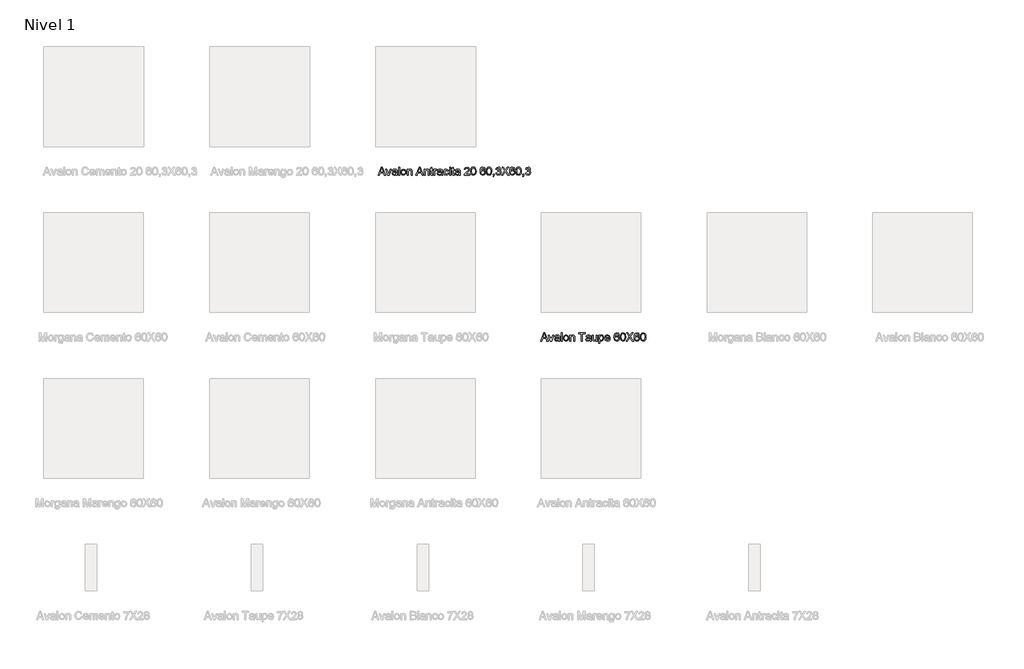
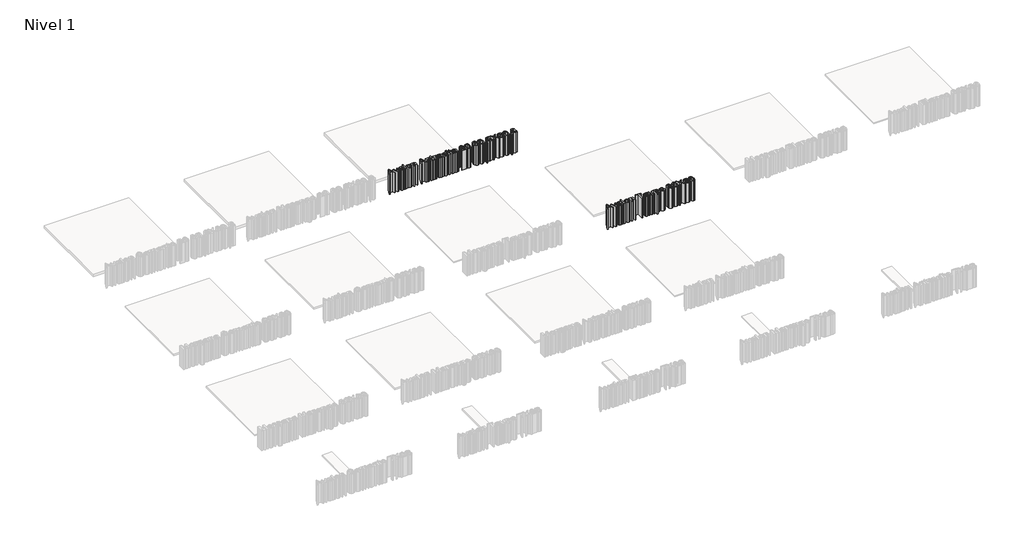
# One storey, part 10 of 11: 2 proxies.
"""IFC4 building model written with IfcOpenShell, lengths in millimetres."""

from ifc_helpers import new_model, si_unit, origin, origin_with_axes, place, context, project, spatial, polyline, outline, extrude, element, save

model = new_model("IFC4")

# Units and contexts
model_context = context("Model", 3, world=origin())
ifc_project = project(units=[si_unit("LENGTHUNIT", "METRE", prefix="MILLI")], contexts=[model_context])

# Site, building, storey
site = spatial("IfcSite", under=ifc_project)
building = spatial("IfcBuilding", under=site)
storey = spatial("IfcBuildingStorey", under=building, Name="Nivel 1", Elevation=0.0)

# Proxies
placement = place(None, origin())
element("IfcBuildingElementProxy", 1, Name="Texto de modelo 1", ObjectType="Texto de modelo 1", at=placement, inside=storey, context=model_context, shape_type="SweptSolid", body=[
    extrude(outline(polyline([(2015.8341766, -172.9229512), (2035.4856189, -123.692182), (2040.7260035, -123.692182), (2060.3774458, -172.9229512), (2053.875042, -172.9229512), (2048.2380227, -157.5383359), (2027.9615804, -157.5383359), (2022.3365804, -172.9229512), (2015.8341766, -172.9229512)]), holes=[polyline([(2030.2211958, -151.3844897), (2045.9904266, -151.3844897), (2041.5553304, -139.2811243), (2038.1058112, -129.8460282), (2035.0409073, -138.223432), (2030.2211958, -151.3844897)])]), origin_with_axes(), (0.0, 0.0, 1.0), 150.0),
    extrude(outline(polyline([(2075.0529266, -172.9229512), (2062.3365804, -136.7691051), (2068.8510035, -136.7691051), (2076.5553304, -158.4277589), (2078.875042, -165.7114128), (2081.1466766, -158.8364128), (2088.8990804, -136.7691051), (2095.4135035, -136.7691051), (2082.8534073, -172.9229512), (2075.0529266, -172.9229512)])), origin_with_axes(), (0.0, 0.0, 1.0), 150.0),
    extrude(outline(polyline([(2123.875042, -168.3075666), (2117.9074939, -172.4782397), (2111.3149458, -173.692182), (2102.3786477, -170.7715089), (2099.2596573, -163.3075666), (2100.437542, -158.4397782), (2103.5324939, -154.9061243), (2107.8413881, -152.8868936), (2113.1659073, -151.9614128), (2123.8389843, -149.8460282), (2122.1803304, -143.9325666), (2115.3774458, -142.1537205), (2109.1514843, -143.3376147), (2106.1827343, -147.5383359), (2100.0288881, -146.7691051), (2102.6911477, -140.7594897), (2108.0517246, -137.2378551), (2116.170715, -135.9998743), (2123.6286477, -137.0936243), (2127.8413881, -139.8400186), (2129.7284073, -144.0167012), (2130.0288881, -149.4013166), (2130.0288881, -157.0575666), (2130.3413881, -167.7486724), (2131.5673496, -172.9229512), (2125.4135035, -172.9229512), (2123.875042, -168.3075666)]), holes=[polyline([(2123.875042, -155.9998743), (2113.9471573, -157.8868936), (2108.6526862, -158.8844897), (2106.2548496, -160.5070859), (2105.4135035, -162.8748743), (2107.2464362, -166.2042012), (2112.625042, -167.5383359), (2118.8510035, -166.0659801), (2122.8654266, -162.5022782), (2123.8389843, -157.7426628), (2123.875042, -155.9998743)])]), origin_with_axes(), (0.0, 0.0, 1.0), 150.0),
    extrude(outline(polyline([(2138.4904266, -172.9229512), (2138.4904266, -123.692182), (2144.6442727, -123.692182), (2144.6442727, -172.9229512), (2138.4904266, -172.9229512)])), origin_with_axes(), (0.0, 0.0, 1.0), 150.0),
    extrude(outline(polyline([(2152.3365804, -154.8460282), (2153.6677102, -146.1290811), (2157.6610996, -140.0022782), (2168.5024458, -135.9998743), (2180.1310516, -140.8736724), (2184.6442727, -154.3412205), (2182.6490804, -165.2907397), (2176.8377823, -171.4866532), (2168.5024458, -173.692182), (2156.8017246, -168.8364128), (2152.3365804, -154.8460282)]), holes=[polyline([(2158.4904266, -154.8340089), (2161.3389843, -164.3712686), (2168.5024458, -167.5383359), (2175.6418689, -164.3532397), (2178.4904266, -154.6417012), (2175.62384, -145.3207878), (2168.5024458, -142.1537205), (2161.3389843, -145.3087686), (2158.4904266, -154.8340089)])]), origin_with_axes(), (0.0, 0.0, 1.0), 150.0),
    extrude(outline(polyline([(2191.5673496, -172.9229512), (2191.5673496, -136.7691051), (2197.7211958, -136.7691051), (2197.7211958, -141.817182), (2202.4267246, -137.4542012), (2208.8510035, -135.9998743), (2214.6623016, -137.1717493), (2218.6286477, -140.2486724), (2220.4735996, -144.7739128), (2220.7981189, -150.723432), (2220.7981189, -172.9229512), (2214.6442727, -172.9229512), (2214.6442727, -151.5527589), (2213.9351381, -146.1080474), (2211.4291285, -143.2294416), (2207.2043689, -142.1537205), (2200.5276862, -144.5695859), (2197.7211958, -153.7402589), (2197.7211958, -172.9229512), (2191.5673496, -172.9229512)])), origin_with_axes(), (0.0, 0.0, 1.0), 150.0),
    extrude(outline(polyline([(2243.5264843, -172.9229512), (2263.1779266, -123.692182), (2268.4183112, -123.692182), (2288.0697535, -172.9229512), (2281.5673496, -172.9229512), (2275.9303304, -157.5383359), (2255.6538881, -157.5383359), (2250.0288881, -172.9229512), (2243.5264843, -172.9229512)]), holes=[polyline([(2257.9135035, -151.3844897), (2273.6827343, -151.3844897), (2269.2476381, -139.2811243), (2265.7981189, -129.8460282), (2262.733215, -138.223432), (2257.9135035, -151.3844897)])]), origin_with_axes(), (0.0, 0.0, 1.0), 150.0),
    extrude(outline(polyline([(2293.875042, -172.9229512), (2293.875042, -136.7691051), (2300.0288881, -136.7691051), (2300.0288881, -141.817182), (2304.734417, -137.4542012), (2311.1586958, -135.9998743), (2316.9699939, -137.1717493), (2320.93634, -140.2486724), (2322.781292, -144.7739128), (2323.1058112, -150.723432), (2323.1058112, -172.9229512), (2316.951965, -172.9229512), (2316.951965, -151.5527589), (2316.2428304, -146.1080474), (2313.7368208, -143.2294416), (2309.5120612, -142.1537205), (2302.8353785, -144.5695859), (2300.0288881, -153.7402589), (2300.0288881, -172.9229512), (2293.875042, -172.9229512)])), origin_with_axes(), (0.0, 0.0, 1.0), 150.0),
    extrude(outline(polyline([(2344.6442727, -167.7907397), (2345.4135035, -173.1032397), (2340.8101381, -173.692182), (2335.6538881, -172.6705474), (2333.0817727, -169.9902589), (2332.3365804, -163.0070859), (2332.3365804, -142.9229512), (2327.7211958, -142.9229512), (2327.7211958, -136.7691051), (2332.3365804, -136.7691051), (2332.3365804, -127.9830474), (2338.4904266, -124.3652589), (2338.4904266, -136.7691051), (2344.6442727, -136.7691051), (2344.6442727, -142.9229512), (2338.4904266, -142.9229512), (2338.4904266, -162.8267974), (2338.8149458, -165.9998743), (2341.9639843, -167.5383359), (2344.6442727, -167.7907397)])), origin_with_axes(), (0.0, 0.0, 1.0), 150.0),
    extrude(outline(polyline([(2350.7981189, -172.9229512), (2350.7981189, -136.7691051), (2356.1827343, -136.7691051), (2356.1827343, -142.1176628), (2360.0048496, -137.1897782), (2363.8510035, -135.9998743), (2370.0288881, -137.8989128), (2367.9735996, -143.4157397), (2363.6466766, -142.1537205), (2360.1671093, -143.3676628), (2357.9495612, -146.7330474), (2356.951965, -153.9205474), (2356.951965, -172.9229512), (2350.7981189, -172.9229512)])), origin_with_axes(), (0.0, 0.0, 1.0), 150.0),
    extrude(outline(polyline([(2396.951965, -168.3075666), (2390.984417, -172.4782397), (2384.3918689, -173.692182), (2375.4555708, -170.7715089), (2372.3365804, -163.3075666), (2373.514465, -158.4397782), (2376.609417, -154.9061243), (2380.9183112, -152.8868936), (2386.2428304, -151.9614128), (2396.9159073, -149.8460282), (2395.2572535, -143.9325666), (2388.4543689, -142.1537205), (2382.2284073, -143.3376147), (2379.2596573, -147.5383359), (2373.1058112, -146.7691051), (2375.7680708, -140.7594897), (2381.1286477, -137.2378551), (2389.2476381, -135.9998743), (2396.7055708, -137.0936243), (2400.9183112, -139.8400186), (2402.8053304, -144.0167012), (2403.1058112, -149.4013166), (2403.1058112, -157.0575666), (2403.4183112, -167.7486724), (2404.6442727, -172.9229512), (2398.4904266, -172.9229512), (2396.951965, -168.3075666)]), holes=[polyline([(2396.951965, -155.9998743), (2387.0240804, -157.8868936), (2381.7296093, -158.8844897), (2379.3317727, -160.5070859), (2378.4904266, -162.8748743), (2380.3233593, -166.2042012), (2385.701965, -167.5383359), (2391.9279266, -166.0659801), (2395.9423496, -162.5022782), (2396.9159073, -157.7426628), (2396.951965, -155.9998743)])]), origin_with_axes(), (0.0, 0.0, 1.0), 150.0),
    extrude(outline(polyline([(2434.6442727, -159.8460282), (2440.7981189, -160.6152589), (2435.858215, -170.2246339), (2426.0985996, -173.692182), (2414.4339362, -168.8544416), (2410.0288881, -154.9782397), (2411.9098977, -144.7558839), (2417.6430708, -138.1873743), (2426.014465, -135.9998743), (2435.3714362, -139.004682), (2440.0288881, -147.5383359), (2433.875042, -148.3075666), (2431.0204746, -143.6981916), (2426.062542, -142.1537205), (2418.9291285, -145.1945859), (2416.1827343, -154.8099705), (2418.8690323, -164.5154993), (2425.8942727, -167.5383359), (2431.6935516, -165.6513166), (2434.6442727, -159.8460282)])), origin_with_axes(), (0.0, 0.0, 1.0), 150.0),
    extrude(outline(polyline([(2446.1827343, -172.9229512), (2446.1827343, -136.7691051), (2452.3365804, -136.7691051), (2452.3365804, -172.9229512), (2446.1827343, -172.9229512)])), origin_with_axes(), (0.0, 0.0, 1.0), 150.0),
    extrude(outline(polyline([(2446.1827343, -129.8460282), (2446.1827343, -123.692182), (2452.3365804, -123.692182), (2452.3365804, -129.8460282), (2446.1827343, -129.8460282)])), origin_with_axes(), (0.0, 0.0, 1.0), 150.0),
    extrude(outline(polyline([(2474.6442727, -167.7907397), (2475.4135035, -173.1032397), (2470.8101381, -173.692182), (2465.6538881, -172.6705474), (2463.0817727, -169.9902589), (2462.3365804, -163.0070859), (2462.3365804, -142.9229512), (2457.7211958, -142.9229512), (2457.7211958, -136.7691051), (2462.3365804, -136.7691051), (2462.3365804, -127.9830474), (2468.4904266, -124.3652589), (2468.4904266, -136.7691051), (2474.6442727, -136.7691051), (2474.6442727, -142.9229512), (2468.4904266, -142.9229512), (2468.4904266, -162.8267974), (2468.8149458, -165.9998743), (2471.9639843, -167.5383359), (2474.6442727, -167.7907397)])), origin_with_axes(), (0.0, 0.0, 1.0), 150.0),
    extrude(outline(polyline([(2503.875042, -168.3075666), (2497.9074939, -172.4782397), (2491.3149458, -173.692182), (2482.3786477, -170.7715089), (2479.2596573, -163.3075666), (2480.437542, -158.4397782), (2483.5324939, -154.9061243), (2487.8413881, -152.8868936), (2493.1659073, -151.9614128), (2503.8389843, -149.8460282), (2502.1803304, -143.9325666), (2495.3774458, -142.1537205), (2489.1514843, -143.3376147), (2486.1827343, -147.5383359), (2480.0288881, -146.7691051), (2482.6911477, -140.7594897), (2488.0517246, -137.2378551), (2496.170715, -135.9998743), (2503.6286477, -137.0936243), (2507.8413881, -139.8400186), (2509.7284073, -144.0167012), (2510.0288881, -149.4013166), (2510.0288881, -157.0575666), (2510.3413881, -167.7486724), (2511.5673496, -172.9229512), (2505.4135035, -172.9229512), (2503.875042, -168.3075666)]), holes=[polyline([(2503.875042, -155.9998743), (2493.9471573, -157.8868936), (2488.6526862, -158.8844897), (2486.2548496, -160.5070859), (2485.4135035, -162.8748743), (2487.2464362, -166.2042012), (2492.625042, -167.5383359), (2498.8510035, -166.0659801), (2502.8654266, -162.5022782), (2503.8389843, -157.7426628), (2503.875042, -155.9998743)])]), origin_with_axes(), (0.0, 0.0, 1.0), 150.0),
    extrude(outline(polyline([(2567.7211958, -166.7691051), (2567.7211958, -172.9229512), (2535.4135035, -172.9229512), (2536.0745612, -168.6801628), (2539.812542, -162.1477109), (2547.5168689, -155.0142974), (2558.1418689, -144.7618936), (2560.7981189, -137.7907397), (2558.2921093, -132.1477109), (2551.7476381, -129.8460282), (2544.9267246, -132.0936243), (2542.3365804, -138.3075666), (2536.1827343, -137.5383359), (2540.9002823, -127.2378551), (2551.8798496, -123.692182), (2562.8954746, -127.6344897), (2566.951965, -137.4181436), (2565.858215, -143.2534801), (2562.2223977, -149.2871339), (2553.406292, -157.7186243), (2546.326965, -163.6380955), (2543.5505227, -166.7691051), (2567.7211958, -166.7691051)])), origin_with_axes(), (0.0, 0.0, 1.0), 150.0),
    extrude(outline(polyline([(2573.875042, -148.7042012), (2575.6839362, -134.5395378), (2581.0565323, -126.3724705), (2590.0288881, -123.692182), (2597.2163881, -125.2787205), (2602.1803304, -129.8520378), (2605.0649458, -137.1356916), (2606.1827343, -148.7042012), (2604.3918689, -162.8087686), (2599.0373016, -170.9938647), (2590.0288881, -173.692182), (2578.7788881, -169.004682), (2575.1010035, -160.6783599), (2573.875042, -148.7042012)]), holes=[polyline([(2580.0288881, -148.692182), (2582.9135035, -163.9746339), (2590.0288881, -167.5383359), (2597.1442727, -163.9626147), (2600.0288881, -148.692182), (2597.2404266, -133.5840089), (2589.9567727, -129.8460282), (2583.0096573, -133.1392974), (2580.0288881, -148.692182)])]), origin_with_axes(), (0.0, 0.0, 1.0), 150.0),
    extrude(outline(polyline([(2662.3365804, -136.7691051), (2656.1827343, -137.5383359), (2653.8510035, -132.4061243), (2647.6851381, -129.8460282), (2642.1322535, -131.3364128), (2637.9315323, -136.9313647), (2636.1827343, -147.8989128), (2641.609417, -142.989057), (2648.3341766, -141.3844897), (2658.7909073, -145.7715089), (2663.1058112, -157.1056436), (2661.0745612, -165.5972301), (2655.4856189, -171.6068455), (2647.420715, -173.692182), (2634.8786477, -168.1633359), (2631.241328, -160.8436243), (2630.0288881, -149.942182), (2631.375042, -137.6855714), (2635.4135035, -129.3051628), (2640.9273256, -125.0954272), (2648.0697535, -123.692182), (2657.7933112, -127.1657397), (2662.3365804, -136.7691051)]), holes=[polyline([(2636.1827343, -157.0094897), (2637.6070131, -162.3400186), (2641.3930708, -166.2102109), (2646.9399458, -167.5383359), (2654.1935516, -164.785932), (2656.951965, -157.3099705), (2654.2296093, -150.1525186), (2646.687542, -147.5383359), (2639.2416285, -150.1525186), (2636.1827343, -157.0094897)])]), origin_with_axes(), (0.0, 0.0, 1.0), 150.0),
    extrude(outline(polyline([(2668.4904266, -148.7042012), (2670.2993208, -134.5395378), (2675.671917, -126.3724705), (2684.6442727, -123.692182), (2691.8317727, -125.2787205), (2696.795715, -129.8520378), (2699.6803304, -137.1356916), (2700.7981189, -148.7042012), (2699.0072535, -162.8087686), (2693.6526862, -170.9938647), (2684.6442727, -173.692182), (2673.3942727, -169.004682), (2669.7163881, -160.6783599), (2668.4904266, -148.7042012)]), holes=[polyline([(2674.6442727, -148.692182), (2677.5288881, -163.9746339), (2684.6442727, -167.5383359), (2691.7596573, -163.9626147), (2694.6442727, -148.692182), (2691.8558112, -133.5840089), (2684.5721573, -129.8460282), (2677.625042, -133.1392974), (2674.6442727, -148.692182)])]), origin_with_axes(), (0.0, 0.0, 1.0), 150.0),
    extrude(outline(polyline([(2709.2596573, -172.9229512), (2709.2596573, -166.7691051), (2715.4135035, -166.7691051), (2715.4135035, -172.9229512), (2714.3077343, -179.2150186), (2710.7981189, -182.9229512), (2709.2596573, -180.6152589), (2711.5192727, -177.9590089), (2712.3245612, -172.9229512), (2709.2596573, -172.9229512)])), origin_with_axes(), (0.0, 0.0, 1.0), 150.0),
    extrude(outline(polyline([(2725.4135035, -159.8460282), (2731.5673496, -159.0767974), (2734.9627823, -165.5551628), (2741.3149458, -167.5383359), (2748.7909073, -164.8099705), (2751.5673496, -158.0551628), (2748.8149458, -151.6909801), (2741.8197535, -149.1729512), (2737.5048496, -149.8460282), (2738.1899458, -143.692182), (2746.1586958, -141.9974705), (2749.2596573, -136.5647782), (2747.0120612, -131.7510762), (2741.218792, -129.8460282), (2735.3534073, -131.7691051), (2732.3365804, -137.5383359), (2726.1827343, -136.7691051), (2731.218792, -127.1176628), (2741.0024458, -123.692182), (2748.4243208, -125.3808839), (2753.6166285, -129.9962686), (2755.4135035, -136.2042012), (2753.7067727, -141.8772782), (2748.6586958, -145.9517974), (2755.3654266, -150.1585282), (2757.7211958, -158.1633359), (2753.0096573, -169.1729512), (2741.0985996, -173.692182), (2730.3053304, -169.8340089), (2725.4135035, -159.8460282)])), origin_with_axes(), (0.0, 0.0, 1.0), 150.0),
    extrude(outline(polyline([(2760.0288881, -172.9229512), (2779.0072535, -146.0960282), (2763.1058112, -123.692182), (2770.4856189, -123.692182), (2779.4399458, -136.3003551), (2782.4567727, -141.2162205), (2785.9904266, -136.2162205), (2794.8485996, -123.692182), (2802.3365804, -123.692182), (2786.4351381, -146.1681436), (2805.4135035, -172.9229512), (2798.0336958, -172.9229512), (2785.389465, -155.0864128), (2782.7572535, -151.3844897), (2779.8606189, -155.4469897), (2767.5168689, -172.9229512), (2760.0288881, -172.9229512)])), origin_with_axes(), (0.0, 0.0, 1.0), 150.0),
    extrude(outline(polyline([(2840.7981189, -136.7691051), (2834.6442727, -137.5383359), (2832.312542, -132.4061243), (2826.1466766, -129.8460282), (2820.593792, -131.3364128), (2816.3930708, -136.9313647), (2814.6442727, -147.8989128), (2820.0709554, -142.989057), (2826.795715, -141.3844897), (2837.2524458, -145.7715089), (2841.5673496, -157.1056436), (2839.5360996, -165.5972301), (2833.9471573, -171.6068455), (2825.8822535, -173.692182), (2813.3401862, -168.1633359), (2809.7028665, -160.8436243), (2808.4904266, -149.942182), (2809.8365804, -137.6855714), (2813.875042, -129.3051628), (2819.3888641, -125.0954272), (2826.531292, -123.692182), (2836.2548496, -127.1657397), (2840.7981189, -136.7691051)]), holes=[polyline([(2814.6442727, -157.0094897), (2816.0685516, -162.3400186), (2819.8546093, -166.2102109), (2825.4014843, -167.5383359), (2832.65509, -164.785932), (2835.4135035, -157.3099705), (2832.6911477, -150.1525186), (2825.1490804, -147.5383359), (2817.703167, -150.1525186), (2814.6442727, -157.0094897)])]), origin_with_axes(), (0.0, 0.0, 1.0), 150.0),
    extrude(outline(polyline([(2846.951965, -148.7042012), (2848.7608593, -134.5395378), (2854.1334554, -126.3724705), (2863.1058112, -123.692182), (2870.2933112, -125.2787205), (2875.2572535, -129.8520378), (2878.1418689, -137.1356916), (2879.2596573, -148.7042012), (2877.468792, -162.8087686), (2872.1142246, -170.9938647), (2863.1058112, -173.692182), (2851.8558112, -169.004682), (2848.1779266, -160.6783599), (2846.951965, -148.7042012)]), holes=[polyline([(2853.1058112, -148.692182), (2855.9904266, -163.9746339), (2863.1058112, -167.5383359), (2870.2211958, -163.9626147), (2873.1058112, -148.692182), (2870.3173496, -133.5840089), (2863.0336958, -129.8460282), (2856.0865804, -133.1392974), (2853.1058112, -148.692182)])]), origin_with_axes(), (0.0, 0.0, 1.0), 150.0),
    extrude(outline(polyline([(2887.7211958, -172.9229512), (2887.7211958, -166.7691051), (2893.875042, -166.7691051), (2893.875042, -172.9229512), (2892.7692727, -179.2150186), (2889.2596573, -182.9229512), (2887.7211958, -180.6152589), (2889.9808112, -177.9590089), (2890.7860996, -172.9229512), (2887.7211958, -172.9229512)])), origin_with_axes(), (0.0, 0.0, 1.0), 150.0),
    extrude(outline(polyline([(2903.875042, -159.8460282), (2910.0288881, -159.0767974), (2913.4243208, -165.5551628), (2919.7764843, -167.5383359), (2927.2524458, -164.8099705), (2930.0288881, -158.0551628), (2927.2764843, -151.6909801), (2920.281292, -149.1729512), (2915.9663881, -149.8460282), (2916.6514843, -143.692182), (2924.6202343, -141.9974705), (2927.7211958, -136.5647782), (2925.4735996, -131.7510762), (2919.6803304, -129.8460282), (2913.8149458, -131.7691051), (2910.7981189, -137.5383359), (2904.6442727, -136.7691051), (2909.6803304, -127.1176628), (2919.4639843, -123.692182), (2926.8858593, -125.3808839), (2932.078167, -129.9962686), (2933.875042, -136.2042012), (2932.1683112, -141.8772782), (2927.1202343, -145.9517974), (2933.826965, -150.1585282), (2936.1827343, -158.1633359), (2931.4711958, -169.1729512), (2919.5601381, -173.692182), (2908.7668689, -169.8340089), (2903.875042, -159.8460282)])), origin_with_axes(), (0.0, 0.0, 1.0), 150.0),
])
element("IfcBuildingElementProxy", 2, Name="Texto de modelo 1", ObjectType="Texto de modelo 1", at=placement, inside=storey, context=model_context, shape_type="SweptSolid", body=[
    extrude(outline(polyline([(2995.8341766, -1172.9229512), (3015.4856189, -1123.692182), (3020.7260035, -1123.692182), (3040.3774458, -1172.9229512), (3033.875042, -1172.9229512), (3028.2380227, -1157.5383359), (3007.9615804, -1157.5383359), (3002.3365804, -1172.9229512), (2995.8341766, -1172.9229512)]), holes=[polyline([(3010.2211958, -1151.3844897), (3025.9904266, -1151.3844897), (3021.5553304, -1139.2811243), (3018.1058112, -1129.8460282), (3015.0409073, -1138.223432), (3010.2211958, -1151.3844897)])]), origin_with_axes(), (0.0, 0.0, 1.0), 150.0),
    extrude(outline(polyline([(3055.0529266, -1172.9229512), (3042.3365804, -1136.7691051), (3048.8510035, -1136.7691051), (3056.5553304, -1158.4277589), (3058.875042, -1165.7114128), (3061.1466766, -1158.8364128), (3068.8990804, -1136.7691051), (3075.4135035, -1136.7691051), (3062.8534073, -1172.9229512), (3055.0529266, -1172.9229512)])), origin_with_axes(), (0.0, 0.0, 1.0), 150.0),
    extrude(outline(polyline([(3103.875042, -1168.3075666), (3097.9074939, -1172.4782397), (3091.3149458, -1173.692182), (3082.3786477, -1170.7715089), (3079.2596573, -1163.3075666), (3080.437542, -1158.4397782), (3083.5324939, -1154.9061243), (3087.8413881, -1152.8868936), (3093.1659073, -1151.9614128), (3103.8389843, -1149.8460282), (3102.1803304, -1143.9325666), (3095.3774458, -1142.1537205), (3089.1514843, -1143.3376147), (3086.1827343, -1147.5383359), (3080.0288881, -1146.7691051), (3082.6911477, -1140.7594897), (3088.0517246, -1137.2378551), (3096.170715, -1135.9998743), (3103.6286477, -1137.0936243), (3107.8413881, -1139.8400186), (3109.7284073, -1144.0167012), (3110.0288881, -1149.4013166), (3110.0288881, -1157.0575666), (3110.3413881, -1167.7486724), (3111.5673496, -1172.9229512), (3105.4135035, -1172.9229512), (3103.875042, -1168.3075666)]), holes=[polyline([(3103.875042, -1155.9998743), (3093.9471573, -1157.8868936), (3088.6526862, -1158.8844897), (3086.2548496, -1160.5070859), (3085.4135035, -1162.8748743), (3087.2464362, -1166.2042012), (3092.625042, -1167.5383359), (3098.8510035, -1166.0659801), (3102.8654266, -1162.5022782), (3103.8389843, -1157.7426628), (3103.875042, -1155.9998743)])]), origin_with_axes(), (0.0, 0.0, 1.0), 150.0),
    extrude(outline(polyline([(3118.4904266, -1172.9229512), (3118.4904266, -1123.692182), (3124.6442727, -1123.692182), (3124.6442727, -1172.9229512), (3118.4904266, -1172.9229512)])), origin_with_axes(), (0.0, 0.0, 1.0), 150.0),
    extrude(outline(polyline([(3132.3365804, -1154.8460282), (3133.6677102, -1146.1290811), (3137.6610996, -1140.0022782), (3148.5024458, -1135.9998743), (3160.1310516, -1140.8736724), (3164.6442727, -1154.3412205), (3162.6490804, -1165.2907397), (3156.8377823, -1171.4866532), (3148.5024458, -1173.692182), (3136.8017246, -1168.8364128), (3132.3365804, -1154.8460282)]), holes=[polyline([(3138.4904266, -1154.8340089), (3141.3389843, -1164.3712686), (3148.5024458, -1167.5383359), (3155.6418689, -1164.3532397), (3158.4904266, -1154.6417012), (3155.62384, -1145.3207878), (3148.5024458, -1142.1537205), (3141.3389843, -1145.3087686), (3138.4904266, -1154.8340089)])]), origin_with_axes(), (0.0, 0.0, 1.0), 150.0),
    extrude(outline(polyline([(3171.5673496, -1172.9229512), (3171.5673496, -1136.7691051), (3177.7211958, -1136.7691051), (3177.7211958, -1141.817182), (3182.4267246, -1137.4542012), (3188.8510035, -1135.9998743), (3194.6623016, -1137.1717493), (3198.6286477, -1140.2486724), (3200.4735996, -1144.7739128), (3200.7981189, -1150.723432), (3200.7981189, -1172.9229512), (3194.6442727, -1172.9229512), (3194.6442727, -1151.5527589), (3193.9351381, -1146.1080474), (3191.4291285, -1143.2294416), (3187.2043689, -1142.1537205), (3180.5276862, -1144.5695859), (3177.7211958, -1153.7402589), (3177.7211958, -1172.9229512), (3171.5673496, -1172.9229512)])), origin_with_axes(), (0.0, 0.0, 1.0), 150.0),
    extrude(outline(polyline([(3241.5673496, -1172.9229512), (3241.5673496, -1129.8460282), (3225.4135035, -1129.8460282), (3225.4135035, -1123.692182), (3263.875042, -1123.692182), (3263.875042, -1129.8460282), (3247.7211958, -1129.8460282), (3247.7211958, -1172.9229512), (3241.5673496, -1172.9229512)])), origin_with_axes(), (0.0, 0.0, 1.0), 150.0),
    extrude(outline(polyline([(3293.1058112, -1168.3075666), (3287.1382631, -1172.4782397), (3280.545715, -1173.692182), (3271.609417, -1170.7715089), (3268.4904266, -1163.3075666), (3269.6683112, -1158.4397782), (3272.7632631, -1154.9061243), (3277.0721573, -1152.8868936), (3282.3966766, -1151.9614128), (3293.0697535, -1149.8460282), (3291.4110996, -1143.9325666), (3284.608215, -1142.1537205), (3278.3822535, -1143.3376147), (3275.4135035, -1147.5383359), (3269.2596573, -1146.7691051), (3271.921917, -1140.7594897), (3277.2824939, -1137.2378551), (3285.4014843, -1135.9998743), (3292.859417, -1137.0936243), (3297.0721573, -1139.8400186), (3298.9591766, -1144.0167012), (3299.2596573, -1149.4013166), (3299.2596573, -1157.0575666), (3299.5721573, -1167.7486724), (3300.7981189, -1172.9229512), (3294.6442727, -1172.9229512), (3293.1058112, -1168.3075666)]), holes=[polyline([(3293.1058112, -1155.9998743), (3283.1779266, -1157.8868936), (3277.8834554, -1158.8844897), (3275.4856189, -1160.5070859), (3274.6442727, -1162.8748743), (3276.4772054, -1166.2042012), (3281.8558112, -1167.5383359), (3288.0817727, -1166.0659801), (3292.0961958, -1162.5022782), (3293.0697535, -1157.7426628), (3293.1058112, -1155.9998743)])]), origin_with_axes(), (0.0, 0.0, 1.0), 150.0),
    extrude(outline(polyline([(3330.7981189, -1172.9229512), (3330.7981189, -1166.7090089), (3325.9784073, -1171.9463887), (3319.6923496, -1173.692182), (3313.90509, -1172.4662205), (3309.9147054, -1169.3892974), (3308.0817727, -1164.8580474), (3307.7211958, -1159.1368936), (3307.7211958, -1136.7691051), (3313.875042, -1136.7691051), (3313.875042, -1156.2402589), (3314.2476381, -1162.5142974), (3316.6815323, -1166.1981916), (3321.2668689, -1167.5383359), (3326.40509, -1166.1681436), (3329.8005227, -1162.4361724), (3330.7981189, -1155.5792012), (3330.7981189, -1136.7691051), (3336.951965, -1136.7691051), (3336.951965, -1172.9229512), (3330.7981189, -1172.9229512)])), origin_with_axes(), (0.0, 0.0, 1.0), 150.0),
    extrude(outline(polyline([(3345.4135035, -1186.7691051), (3345.4135035, -1136.7691051), (3351.5673496, -1136.7691051), (3351.5673496, -1142.8027589), (3355.8221573, -1137.7005955), (3361.5673496, -1135.9998743), (3369.3678304, -1138.379682), (3374.4639843, -1145.0864128), (3376.1827343, -1154.5695859), (3374.2416285, -1164.5395378), (3368.6046093, -1171.3304032), (3360.8221573, -1173.692182), (3355.46759, -1172.1116532), (3351.5673496, -1168.1152589), (3351.5673496, -1186.7691051), (3345.4135035, -1186.7691051)]), holes=[polyline([(3351.5673496, -1155.1344897), (3354.2296093, -1164.5094897), (3360.6899458, -1167.5383359), (3367.2824939, -1164.4013166), (3370.0288881, -1154.6777589), (3367.3485996, -1145.2787205), (3360.9423496, -1142.1537205), (3354.4098977, -1145.4770378), (3351.5673496, -1155.1344897)])]), origin_with_axes(), (0.0, 0.0, 1.0), 150.0),
    extrude(outline(polyline([(3408.4183112, -1162.1537205), (3414.451965, -1162.9229512), (3408.8089362, -1170.8676628), (3398.2981189, -1173.692182), (3385.5216766, -1168.8183839), (3380.7981189, -1155.1465089), (3385.5697535, -1141.0239128), (3397.9495612, -1135.9998743), (3409.9748016, -1141.0118936), (3414.6442727, -1155.1104512), (3414.608215, -1156.7691051), (3386.951965, -1156.7691051), (3390.4916285, -1164.7618936), (3398.4183112, -1167.5383359), (3404.451965, -1166.2522782), (3408.4183112, -1162.1537205)]), holes=[polyline([(3386.951965, -1150.6152589), (3408.4904266, -1150.6152589), (3406.0264843, -1145.0383359), (3397.9255227, -1142.1537205), (3390.3473977, -1144.4554032), (3386.951965, -1150.6152589)])]), origin_with_axes(), (0.0, 0.0, 1.0), 150.0),
    extrude(outline(polyline([(3470.0288881, -1136.7691051), (3463.875042, -1137.5383359), (3461.5433112, -1132.4061243), (3455.3774458, -1129.8460282), (3449.8245612, -1131.3364128), (3445.62384, -1136.9313647), (3443.875042, -1147.8989128), (3449.3017246, -1142.989057), (3456.0264843, -1141.3844897), (3466.483215, -1145.7715089), (3470.7981189, -1157.1056436), (3468.7668689, -1165.5972301), (3463.1779266, -1171.6068455), (3455.1130227, -1173.692182), (3442.5709554, -1168.1633359), (3438.9336357, -1160.8436243), (3437.7211958, -1149.942182), (3439.0673496, -1137.6855714), (3443.1058112, -1129.3051628), (3448.6196333, -1125.0954272), (3455.7620612, -1123.692182), (3465.4856189, -1127.1657397), (3470.0288881, -1136.7691051)]), holes=[polyline([(3443.875042, -1157.0094897), (3445.2993208, -1162.3400186), (3449.0853785, -1166.2102109), (3454.6322535, -1167.5383359), (3461.8858593, -1164.785932), (3464.6442727, -1157.3099705), (3461.921917, -1150.1525186), (3454.3798496, -1147.5383359), (3446.9339362, -1150.1525186), (3443.875042, -1157.0094897)])]), origin_with_axes(), (0.0, 0.0, 1.0), 150.0),
    extrude(outline(polyline([(3476.1827343, -1148.7042012), (3477.9916285, -1134.5395378), (3483.3642246, -1126.3724705), (3492.3365804, -1123.692182), (3499.5240804, -1125.2787205), (3504.4880227, -1129.8520378), (3507.3726381, -1137.1356916), (3508.4904266, -1148.7042012), (3506.6995612, -1162.8087686), (3501.3449939, -1170.9938647), (3492.3365804, -1173.692182), (3481.0865804, -1169.004682), (3477.4086958, -1160.6783599), (3476.1827343, -1148.7042012)]), holes=[polyline([(3482.3365804, -1148.692182), (3485.2211958, -1163.9746339), (3492.3365804, -1167.5383359), (3499.451965, -1163.9626147), (3502.3365804, -1148.692182), (3499.5481189, -1133.5840089), (3492.264465, -1129.8460282), (3485.3173496, -1133.1392974), (3482.3365804, -1148.692182)])]), origin_with_axes(), (0.0, 0.0, 1.0), 150.0),
    extrude(outline(polyline([(3510.7981189, -1172.9229512), (3529.7764843, -1146.0960282), (3513.875042, -1123.692182), (3521.2548496, -1123.692182), (3530.2091766, -1136.3003551), (3533.2260035, -1141.2162205), (3536.7596573, -1136.2162205), (3545.6178304, -1123.692182), (3553.1058112, -1123.692182), (3537.2043689, -1146.1681436), (3556.1827343, -1172.9229512), (3548.8029266, -1172.9229512), (3536.1586958, -1155.0864128), (3533.5264843, -1151.3844897), (3530.6298496, -1155.4469897), (3518.2860996, -1172.9229512), (3510.7981189, -1172.9229512)])), origin_with_axes(), (0.0, 0.0, 1.0), 150.0),
    extrude(outline(polyline([(3591.5673496, -1136.7691051), (3585.4135035, -1137.5383359), (3583.0817727, -1132.4061243), (3576.9159073, -1129.8460282), (3571.3630227, -1131.3364128), (3567.1623016, -1136.9313647), (3565.4135035, -1147.8989128), (3570.8401862, -1142.989057), (3577.5649458, -1141.3844897), (3588.0216766, -1145.7715089), (3592.3365804, -1157.1056436), (3590.3053304, -1165.5972301), (3584.7163881, -1171.6068455), (3576.6514843, -1173.692182), (3564.109417, -1168.1633359), (3560.4720972, -1160.8436243), (3559.2596573, -1149.942182), (3560.6058112, -1137.6855714), (3564.6442727, -1129.3051628), (3570.1580948, -1125.0954272), (3577.3005227, -1123.692182), (3587.0240804, -1127.1657397), (3591.5673496, -1136.7691051)]), holes=[polyline([(3565.4135035, -1157.0094897), (3566.8377823, -1162.3400186), (3570.62384, -1166.2102109), (3576.170715, -1167.5383359), (3583.4243208, -1164.785932), (3586.1827343, -1157.3099705), (3583.4603785, -1150.1525186), (3575.9183112, -1147.5383359), (3568.4723977, -1150.1525186), (3565.4135035, -1157.0094897)])]), origin_with_axes(), (0.0, 0.0, 1.0), 150.0),
    extrude(outline(polyline([(3597.7211958, -1148.7042012), (3599.53009, -1134.5395378), (3604.9026862, -1126.3724705), (3613.875042, -1123.692182), (3621.062542, -1125.2787205), (3626.0264843, -1129.8520378), (3628.9110996, -1137.1356916), (3630.0288881, -1148.7042012), (3628.2380227, -1162.8087686), (3622.8834554, -1170.9938647), (3613.875042, -1173.692182), (3602.625042, -1169.004682), (3598.9471573, -1160.6783599), (3597.7211958, -1148.7042012)]), holes=[polyline([(3603.875042, -1148.692182), (3606.7596573, -1163.9746339), (3613.875042, -1167.5383359), (3620.9904266, -1163.9626147), (3623.875042, -1148.692182), (3621.0865804, -1133.5840089), (3613.8029266, -1129.8460282), (3606.8558112, -1133.1392974), (3603.875042, -1148.692182)])]), origin_with_axes(), (0.0, 0.0, 1.0), 150.0),
])

save(model, "model.ifc")
